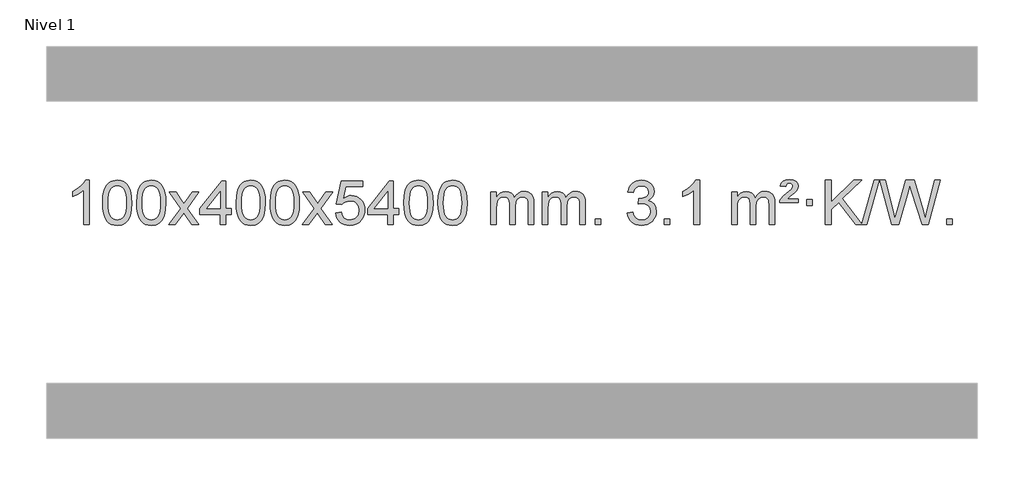
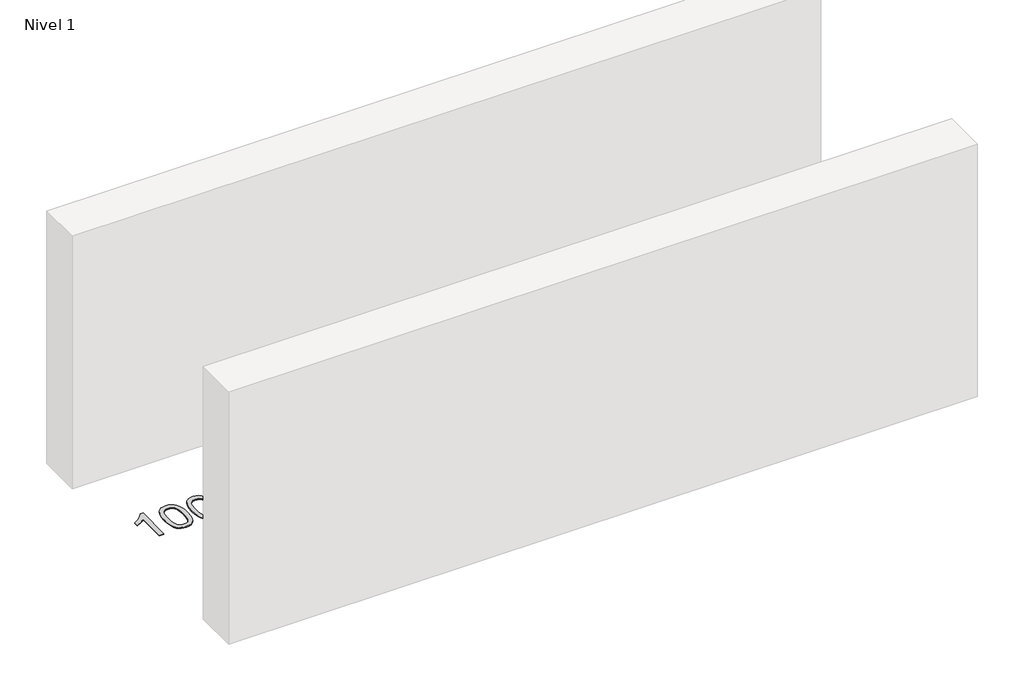
# One storey, part 6 of 15: 1 proxy.
"""IFC4 building model written with IfcOpenShell, lengths in millimetres."""

from ifc_helpers import new_model, si_unit, origin, origin_with_axes, place, context, project, spatial, polyline, outline, extrude, element, save

model = new_model("IFC4")

# Units and contexts
model_context = context("Model", 3, world=origin())
ifc_project = project(units=[si_unit("LENGTHUNIT", "METRE", prefix="MILLI")], contexts=[model_context])

# Site, building, storey
site = spatial("IfcSite", under=ifc_project)
building = spatial("IfcBuilding", under=site)
storey = spatial("IfcBuildingStorey", under=building, Name="Nivel 1", Elevation=0.0)

# Proxy
placement = place(None, origin())
element("IfcBuildingElementProxy", 1, Name="Texto de modelo 1", ObjectType="Texto de modelo 1", at=placement, inside=storey, context=model_context, shape_type="SweptSolid", body=[
    extrude(outline(polyline([(-25791.6185243, -3929.6168569), (-25841.8466794, -3929.6168569), (-25841.8466794, -3616.4757026), (-25862.8159531, -3633.4350626), (-25889.4260841, -3650.3698971), (-25942.3029895, -3675.7292293), (-25942.3029895, -3628.2479264), (-25902.8537769, -3606.7881434), (-25868.6775396, -3581.2571329), (-25841.7363148, -3554.1074417), (-25823.9921399, -3527.7916163), (-25791.6185243, -3527.7916163), (-25791.6185243, -3929.6168569)])), origin_with_axes(), (0.0, 0.0, 1.0), 10.0),
    extrude(outline(polyline([(-25672.326656, -3731.9415981), (-25668.6355733, -3667.6235626), (-25657.5623253, -3616.3285498), (-25639.2172764, -3577.2717446), (-25627.3592135, -3562.0383643), (-25613.7107915, -3549.6683323), (-25598.2260251, -3540.097269), (-25580.8589293, -3533.2607953), (-25540.4777489, -3527.7916163), (-25509.5266104, -3531.0289778), (-25481.8128334, -3540.7410625), (-25458.6362678, -3556.5477256), (-25441.296763, -3578.0688223), (-25428.200164, -3605.1204117), (-25417.7523154, -3637.5185527), (-25410.9097102, -3678.6600225), (-25408.6288419, -3731.9415981), (-25412.2831364, -3795.8917516), (-25423.2460198, -3847.0641372), (-25441.480704, -3886.1577305), (-25453.3111759, -3901.437096), (-25466.9504008, -3913.8715075), (-25482.4535613, -3923.5069501), (-25499.8758394, -3930.3894091), (-25540.4777489, -3935.8953763), (-25568.142475, -3933.5041433), (-25592.6679413, -3926.3304444), (-25614.054148, -3914.3742795), (-25632.3010949, -3897.6356488), (-25649.8122779, -3867.3773547), (-25662.3202657, -3829.6755815), (-25669.8250584, -3784.5303293), (-25672.326656, -3731.9415981)]), holes=[polyline([(-25622.0985009, -3731.8434963), (-25620.626973, -3775.5080234), (-25616.212389, -3810.8522861), (-25608.8547491, -3837.8762843), (-25598.5540532, -3856.5800181), (-25586.0951163, -3869.3056694), (-25572.2627533, -3878.3954204), (-25557.0569642, -3883.849271), (-25540.4777489, -3885.6672212), (-25523.8985337, -3883.8431396), (-25508.6927446, -3878.3708949), (-25494.8603815, -3869.2504871), (-25482.4014446, -3856.4819162), (-25472.1007488, -3837.7475256), (-25464.7431089, -3810.7296588), (-25460.3285249, -3775.4283156), (-25458.8569969, -3731.8434963), (-25460.279474, -3689.3347317), (-25464.5469051, -3654.6128027), (-25471.6592904, -3627.6777093), (-25481.6166297, -3608.5294515), (-25493.8671002, -3595.1814664), (-25507.8588787, -3585.6471914), (-25523.5919654, -3579.9266264), (-25541.0663601, -3578.0197713), (-25557.5597363, -3579.6997658), (-25572.508008, -3584.7397491), (-25585.9111753, -3593.1397213), (-25597.7692383, -3604.8996825), (-25608.4132907, -3625.7463289), (-25616.0161853, -3653.8525133), (-25620.577922, -3689.2182358), (-25622.0985009, -3731.8434963)])]), origin_with_axes(), (0.0, 0.0, 1.0), 10.0),
    extrude(outline(polyline([(-25364.6792062, -3731.9415981), (-25360.9881235, -3667.6235626), (-25349.9148754, -3616.3285498), (-25331.5698266, -3577.2717446), (-25319.7117636, -3562.0383643), (-25306.0633416, -3549.6683323), (-25290.5785753, -3540.097269), (-25273.2114794, -3533.2607953), (-25232.8302991, -3527.7916163), (-25201.8791606, -3531.0289778), (-25174.1653836, -3540.7410625), (-25150.9888179, -3556.5477256), (-25133.6493132, -3578.0688223), (-25120.5527142, -3605.1204117), (-25110.1048655, -3637.5185527), (-25103.2622604, -3678.6600225), (-25100.981392, -3731.9415981), (-25104.6356865, -3795.8917516), (-25115.59857, -3847.0641372), (-25133.8332542, -3886.1577305), (-25145.663726, -3901.437096), (-25159.302951, -3913.8715075), (-25174.8061114, -3923.5069501), (-25192.2283896, -3930.3894091), (-25232.8302991, -3935.8953763), (-25260.4950251, -3933.5041433), (-25285.0204915, -3926.3304444), (-25306.4066981, -3914.3742795), (-25324.6536451, -3897.6356488), (-25342.1648281, -3867.3773547), (-25354.6728159, -3829.6755815), (-25362.1776086, -3784.5303293), (-25364.6792062, -3731.9415981)]), holes=[polyline([(-25314.4510511, -3731.8434963), (-25312.9795231, -3775.5080234), (-25308.5649392, -3810.8522861), (-25301.2072993, -3837.8762843), (-25290.9066034, -3856.5800181), (-25278.4476665, -3869.3056694), (-25264.6153035, -3878.3954204), (-25249.4095144, -3883.849271), (-25232.8302991, -3885.6672212), (-25216.2510839, -3883.8431396), (-25201.0452947, -3878.3708949), (-25187.2129317, -3869.2504871), (-25174.7539948, -3856.4819162), (-25164.4532989, -3837.7475256), (-25157.095659, -3810.7296588), (-25152.6810751, -3775.4283156), (-25151.2095471, -3731.8434963), (-25152.6320242, -3689.3347317), (-25156.8994553, -3654.6128027), (-25164.0118405, -3627.6777093), (-25173.9691799, -3608.5294515), (-25186.2196503, -3595.1814664), (-25200.2114289, -3585.6471914), (-25215.9445155, -3579.9266264), (-25233.4189103, -3578.0197713), (-25249.9122864, -3579.6997658), (-25264.8605582, -3584.7397491), (-25278.2637255, -3593.1397213), (-25290.1217885, -3604.8996825), (-25300.7658409, -3625.7463289), (-25308.3687355, -3653.8525133), (-25312.9304722, -3689.2182358), (-25314.4510511, -3731.8434963)])]), origin_with_axes(), (0.0, 0.0, 1.0), 10.0),
    extrude(outline(polyline([(-25075.8673145, -3929.6168569), (-24968.5438738, -3781.2868364), (-25069.5887951, -3634.5264458), (-25009.158046, -3634.5264458), (-24960.4014189, -3705.1597889), (-24937.6417862, -3738.5144231), (-24917.9233112, -3711.2421045), (-24862.3976554, -3634.5264458), (-24801.9669064, -3634.5264458), (-24908.1131247, -3781.2868364), (-24805.890981, -3929.6168569), (-24866.32173, -3929.6168569), (-24927.8315996, -3840.4422612), (-24939.1133142, -3824.1573516), (-25015.4365654, -3929.6168569), (-25075.8673145, -3929.6168569)])), origin_with_axes(), (0.0, 0.0, 1.0), 10.0),
    extrude(outline(polyline([(-24611.2568801, -3929.6168569), (-24611.2568801, -3835.4390661), (-24793.3339422, -3835.4390661), (-24793.3339422, -3785.210911), (-24598.6998413, -3534.0701357), (-24561.028725, -3534.0701357), (-24561.028725, -3785.210911), (-24510.8005699, -3785.210911), (-24510.8005699, -3835.4390661), (-24561.028725, -3835.4390661), (-24561.028725, -3929.6168569), (-24611.2568801, -3929.6168569)]), holes=[polyline([(-24611.2568801, -3785.210911), (-24611.2568801, -3630.01376), (-24731.529767, -3785.210911), (-24611.2568801, -3785.210911)])]), origin_with_axes(), (0.0, 0.0, 1.0), 10.0),
    extrude(outline(polyline([(-24466.8509342, -3731.9415981), (-24463.1598515, -3667.6235626), (-24452.0866035, -3616.3285498), (-24433.7415547, -3577.2717446), (-24421.8834917, -3562.0383643), (-24408.2350697, -3549.6683323), (-24392.7503033, -3540.097269), (-24375.3832075, -3533.2607953), (-24335.0020271, -3527.7916163), (-24304.0508886, -3531.0289778), (-24276.3371117, -3540.7410625), (-24253.160546, -3556.5477256), (-24235.8210412, -3578.0688223), (-24222.7244422, -3605.1204117), (-24212.2765936, -3637.5185527), (-24205.4339884, -3678.6600225), (-24203.1531201, -3731.9415981), (-24206.8074146, -3795.8917516), (-24217.770298, -3847.0641372), (-24236.0049822, -3886.1577305), (-24247.8354541, -3901.437096), (-24261.474679, -3913.8715075), (-24276.9778395, -3923.5069501), (-24294.4001176, -3930.3894091), (-24335.0020271, -3935.8953763), (-24362.6667532, -3933.5041433), (-24387.1922195, -3926.3304444), (-24408.5784262, -3914.3742795), (-24426.8253731, -3897.6356488), (-24444.3365561, -3867.3773547), (-24456.844544, -3829.6755815), (-24464.3493367, -3784.5303293), (-24466.8509342, -3731.9415981)]), holes=[polyline([(-24416.6227791, -3731.8434963), (-24415.1512512, -3775.5080234), (-24410.7366672, -3810.8522861), (-24403.3790273, -3837.8762843), (-24393.0783315, -3856.5800181), (-24380.6193946, -3869.3056694), (-24366.7870315, -3878.3954204), (-24351.5812424, -3883.849271), (-24335.0020271, -3885.6672212), (-24318.4228119, -3883.8431396), (-24303.2170228, -3878.3708949), (-24289.3846597, -3869.2504871), (-24276.9257228, -3856.4819162), (-24266.625027, -3837.7475256), (-24259.2673871, -3810.7296588), (-24254.8528031, -3775.4283156), (-24253.3812752, -3731.8434963), (-24254.8037522, -3689.3347317), (-24259.0711833, -3654.6128027), (-24266.1835686, -3627.6777093), (-24276.1409079, -3608.5294515), (-24288.3913784, -3595.1814664), (-24302.3831569, -3585.6471914), (-24318.1162436, -3579.9266264), (-24335.5906383, -3578.0197713), (-24352.0840145, -3579.6997658), (-24367.0322862, -3584.7397491), (-24380.4354536, -3593.1397213), (-24392.2935165, -3604.8996825), (-24402.9375689, -3625.7463289), (-24410.5404635, -3653.8525133), (-24415.1022002, -3689.2182358), (-24416.6227791, -3731.8434963)])]), origin_with_axes(), (0.0, 0.0, 1.0), 10.0),
    extrude(outline(polyline([(-24159.2034844, -3731.9415981), (-24155.5124017, -3667.6235626), (-24144.4391536, -3616.3285498), (-24126.0941048, -3577.2717446), (-24114.2360418, -3562.0383643), (-24100.5876198, -3549.6683323), (-24085.1028535, -3540.097269), (-24067.7357577, -3533.2607953), (-24027.3545773, -3527.7916163), (-23996.4034388, -3531.0289778), (-23968.6896618, -3540.7410625), (-23945.5130961, -3556.5477256), (-23928.1735914, -3578.0688223), (-23915.0769924, -3605.1204117), (-23904.6291437, -3637.5185527), (-23897.7865386, -3678.6600225), (-23895.5056702, -3731.9415981), (-23899.1599647, -3795.8917516), (-23910.1228482, -3847.0641372), (-23928.3575324, -3886.1577305), (-23940.1880042, -3901.437096), (-23953.8272292, -3913.8715075), (-23969.3303896, -3923.5069501), (-23986.7526678, -3930.3894091), (-24027.3545773, -3935.8953763), (-24055.0193034, -3933.5041433), (-24079.5447697, -3926.3304444), (-24100.9309764, -3914.3742795), (-24119.1779233, -3897.6356488), (-24136.6891063, -3867.3773547), (-24149.1970941, -3829.6755815), (-24156.7018868, -3784.5303293), (-24159.2034844, -3731.9415981)]), holes=[polyline([(-24108.9753293, -3731.8434963), (-24107.5038013, -3775.5080234), (-24103.0892174, -3810.8522861), (-24095.7315775, -3837.8762843), (-24085.4308816, -3856.5800181), (-24072.9719447, -3869.3056694), (-24059.1395817, -3878.3954204), (-24043.9337926, -3883.849271), (-24027.3545773, -3885.6672212), (-24010.7753621, -3883.8431396), (-23995.5695729, -3878.3708949), (-23981.7372099, -3869.2504871), (-23969.278273, -3856.4819162), (-23958.9775771, -3837.7475256), (-23951.6199372, -3810.7296588), (-23947.2053533, -3775.4283156), (-23945.7338253, -3731.8434963), (-23947.1563024, -3689.3347317), (-23951.4237335, -3654.6128027), (-23958.5361188, -3627.6777093), (-23968.4934581, -3608.5294515), (-23980.7439285, -3595.1814664), (-23994.7357071, -3585.6471914), (-24010.4687937, -3579.9266264), (-24027.9431885, -3578.0197713), (-24044.4365646, -3579.6997658), (-24059.3848364, -3584.7397491), (-24072.7880037, -3593.1397213), (-24084.6460667, -3604.8996825), (-24095.2901191, -3625.7463289), (-24102.8930137, -3653.8525133), (-24107.4547504, -3689.2182358), (-24108.9753293, -3731.8434963)])]), origin_with_axes(), (0.0, 0.0, 1.0), 10.0),
    extrude(outline(polyline([(-23870.3915927, -3929.6168569), (-23763.068152, -3781.2868364), (-23864.1130733, -3634.5264458), (-23803.6823242, -3634.5264458), (-23754.9256972, -3705.1597889), (-23732.1660644, -3738.5144231), (-23712.4475894, -3711.2421045), (-23656.9219336, -3634.5264458), (-23596.4911846, -3634.5264458), (-23702.6374029, -3781.2868364), (-23600.4152592, -3929.6168569), (-23660.8460083, -3929.6168569), (-23722.3558778, -3840.4422612), (-23733.6375924, -3824.1573516), (-23809.9608436, -3929.6168569), (-23870.3915927, -3929.6168569)])), origin_with_axes(), (0.0, 0.0, 1.0), 10.0),
    extrude(outline(polyline([(-23569.0226623, -3822.8820273), (-23518.7945072, -3816.603508), (-23509.5729318, -3846.7575688), (-23493.4842259, -3868.3522419), (-23470.6019658, -3881.3384764), (-23440.9997279, -3885.6672212), (-23421.8698642, -3884.1619707), (-23404.9963433, -3879.6462192), (-23390.3791654, -3872.1199667), (-23378.0183304, -3861.5832132), (-23368.1897497, -3848.5571249), (-23361.169335, -3833.5628679), (-23355.5530032, -3797.6698479), (-23360.8137157, -3763.8737553), (-23367.3896064, -3749.9555532), (-23376.5958533, -3738.0239138), (-23388.4631133, -3728.4528505), (-23403.0220433, -3721.6163768), (-23440.214913, -3716.1471978), (-23464.5809638, -3718.3299643), (-23484.3117015, -3724.8782638), (-23500.0693136, -3734.9091796), (-23512.5159878, -3747.5397947), (-23562.7441429, -3741.2612753), (-23518.7945072, -3534.0701357), (-23324.1604063, -3534.0701357), (-23324.1604063, -3584.2982907), (-23478.1803349, -3584.2982907), (-23499.6646434, -3694.9571949), (-23481.9388626, -3682.2530033), (-23463.7838862, -3673.1785808), (-23445.199714, -3667.7339272), (-23426.1863463, -3665.9190427), (-23401.7252593, -3668.1692543), (-23379.2568664, -3674.9198889), (-23358.7811677, -3686.1709466), (-23340.2981631, -3701.9224273), (-23324.9973378, -3721.2117066), (-23314.0681769, -3743.0761598), (-23307.5106803, -3767.5157871), (-23305.3248481, -3794.5305882), (-23307.2930168, -3820.552108), (-23313.1975228, -3844.7587433), (-23323.0383662, -3867.1504941), (-23336.8155469, -3887.7273604), (-23357.6867188, -3908.8008673), (-23382.0405068, -3923.8533723), (-23409.8769111, -3932.8848753), (-23441.1959317, -3935.8953763), (-23467.1162839, -3933.9609301), (-23490.5289072, -3928.1575916), (-23511.4338016, -3918.4853608), (-23529.830967, -3904.9442377), (-23545.1379237, -3888.2086726), (-23556.7721918, -3868.9531159), (-23564.7337713, -3847.1775674), (-23569.0226623, -3822.8820273)])), origin_with_axes(), (0.0, 0.0, 1.0), 10.0),
    extrude(outline(polyline([(-23098.1337084, -3929.6168569), (-23098.1337084, -3835.4390661), (-23280.2107706, -3835.4390661), (-23280.2107706, -3785.210911), (-23085.5766697, -3534.0701357), (-23047.9055534, -3534.0701357), (-23047.9055534, -3785.210911), (-22997.6773983, -3785.210911), (-22997.6773983, -3835.4390661), (-23047.9055534, -3835.4390661), (-23047.9055534, -3929.6168569), (-23098.1337084, -3929.6168569)]), holes=[polyline([(-23098.1337084, -3785.210911), (-23098.1337084, -3630.01376), (-23218.4065954, -3785.210911), (-23098.1337084, -3785.210911)])]), origin_with_axes(), (0.0, 0.0, 1.0), 10.0),
    extrude(outline(polyline([(-22953.7277626, -3731.9415981), (-22950.0366799, -3667.6235626), (-22938.9634319, -3616.3285498), (-22920.618383, -3577.2717446), (-22908.76032, -3562.0383643), (-22895.111898, -3549.6683323), (-22879.6271317, -3540.097269), (-22862.2600359, -3533.2607953), (-22821.8788555, -3527.7916163), (-22790.927717, -3531.0289778), (-22763.21394, -3540.7410625), (-22740.0373743, -3556.5477256), (-22722.6978696, -3578.0688223), (-22709.6012706, -3605.1204117), (-22699.1534219, -3637.5185527), (-22692.3108168, -3678.6600225), (-22690.0299484, -3731.9415981), (-22693.6842429, -3795.8917516), (-22704.6471264, -3847.0641372), (-22722.8818106, -3886.1577305), (-22734.7122824, -3901.437096), (-22748.3515074, -3913.8715075), (-22763.8546678, -3923.5069501), (-22781.276946, -3930.3894091), (-22821.8788555, -3935.8953763), (-22849.5435816, -3933.5041433), (-22874.0690479, -3926.3304444), (-22895.4552546, -3914.3742795), (-22913.7022015, -3897.6356488), (-22931.2133845, -3867.3773547), (-22943.7213723, -3829.6755815), (-22951.226165, -3784.5303293), (-22953.7277626, -3731.9415981)]), holes=[polyline([(-22903.4996075, -3731.8434963), (-22902.0280795, -3775.5080234), (-22897.6134956, -3810.8522861), (-22890.2558557, -3837.8762843), (-22879.9551598, -3856.5800181), (-22867.4962229, -3869.3056694), (-22853.6638599, -3878.3954204), (-22838.4580708, -3883.849271), (-22821.8788555, -3885.6672212), (-22805.2996403, -3883.8431396), (-22790.0938511, -3878.3708949), (-22776.2614881, -3869.2504871), (-22763.8025512, -3856.4819162), (-22753.5018553, -3837.7475256), (-22746.1442154, -3810.7296588), (-22741.7296315, -3775.4283156), (-22740.2581035, -3731.8434963), (-22741.6805806, -3689.3347317), (-22745.9480117, -3654.6128027), (-22753.060397, -3627.6777093), (-22763.0177363, -3608.5294515), (-22775.2682067, -3595.1814664), (-22789.2599853, -3585.6471914), (-22804.9930719, -3579.9266264), (-22822.4674667, -3578.0197713), (-22838.9608428, -3579.6997658), (-22853.9091146, -3584.7397491), (-22867.3122819, -3593.1397213), (-22879.1703449, -3604.8996825), (-22889.8143973, -3625.7463289), (-22897.4172919, -3653.8525133), (-22901.9790286, -3689.2182358), (-22903.4996075, -3731.8434963)])]), origin_with_axes(), (0.0, 0.0, 1.0), 10.0),
    extrude(outline(polyline([(-22646.0803128, -3731.9415981), (-22642.3892301, -3667.6235626), (-22631.315982, -3616.3285498), (-22612.9709332, -3577.2717446), (-22601.1128702, -3562.0383643), (-22587.4644482, -3549.6683323), (-22571.9796819, -3540.097269), (-22554.612586, -3533.2607953), (-22514.2314057, -3527.7916163), (-22483.2802672, -3531.0289778), (-22455.5664902, -3540.7410625), (-22432.3899245, -3556.5477256), (-22415.0504198, -3578.0688223), (-22401.9538208, -3605.1204117), (-22391.5059721, -3637.5185527), (-22384.663367, -3678.6600225), (-22382.3824986, -3731.9415981), (-22386.0367931, -3795.8917516), (-22396.9996766, -3847.0641372), (-22415.2343608, -3886.1577305), (-22427.0648326, -3901.437096), (-22440.7040576, -3913.8715075), (-22456.207218, -3923.5069501), (-22473.6294962, -3930.3894091), (-22514.2314057, -3935.8953763), (-22541.8961317, -3933.5041433), (-22566.4215981, -3926.3304444), (-22587.8078047, -3914.3742795), (-22606.0547517, -3897.6356488), (-22623.5659347, -3867.3773547), (-22636.0739225, -3829.6755815), (-22643.5787152, -3784.5303293), (-22646.0803128, -3731.9415981)]), holes=[polyline([(-22595.8521577, -3731.8434963), (-22594.3806297, -3775.5080234), (-22589.9660458, -3810.8522861), (-22582.6084059, -3837.8762843), (-22572.30771, -3856.5800181), (-22559.8487731, -3869.3056694), (-22546.0164101, -3878.3954204), (-22530.8106209, -3883.849271), (-22514.2314057, -3885.6672212), (-22497.6521904, -3883.8431396), (-22482.4464013, -3878.3708949), (-22468.6140383, -3869.2504871), (-22456.1551014, -3856.4819162), (-22445.8544055, -3837.7475256), (-22438.4967656, -3810.7296588), (-22434.0821817, -3775.4283156), (-22432.6106537, -3731.8434963), (-22434.0331307, -3689.3347317), (-22438.3005619, -3654.6128027), (-22445.4129471, -3627.6777093), (-22455.3702865, -3608.5294515), (-22467.6207569, -3595.1814664), (-22481.6125354, -3585.6471914), (-22497.3456221, -3579.9266264), (-22514.8200169, -3578.0197713), (-22531.313393, -3579.6997658), (-22546.2616647, -3584.7397491), (-22559.6648321, -3593.1397213), (-22571.5228951, -3604.8996825), (-22582.1669475, -3625.7463289), (-22589.769842, -3653.8525133), (-22594.3315788, -3689.2182358), (-22595.8521577, -3731.8434963)])]), origin_with_axes(), (0.0, 0.0, 1.0), 10.0),
    extrude(outline(polyline([(-22168.9128395, -3929.6168569), (-22168.9128395, -3634.5264458), (-22118.6846845, -3634.5264458), (-22118.6846845, -3683.0868692), (-22103.5769972, -3660.7809575), (-22084.1528279, -3643.3065628), (-22061.074364, -3632.0125855), (-22035.0037933, -3628.2479264), (-22007.0692871, -3632.0861619), (-21984.6775364, -3643.6008684), (-21967.9511683, -3662.0317563), (-21957.0128103, -3686.6185363), (-21938.7045497, -3661.0813945), (-21917.8211151, -3642.8405789), (-21894.3625065, -3631.8960895), (-21868.328724, -3628.2479264), (-21848.2209073, -3629.7654397), (-21830.5717686, -3634.3179793), (-21815.3813079, -3641.9055455), (-21802.6495251, -3652.5281381), (-21792.5848869, -3666.3083845), (-21785.3958596, -3683.368912), (-21781.0824432, -3703.7097207), (-21779.6446377, -3727.3308105), (-21779.6446377, -3929.6168569), (-21829.8727928, -3929.6168569), (-21829.8727928, -3748.9132208), (-21831.0377524, -3723.860457), (-21834.5326314, -3706.9746734), (-21841.0809309, -3695.410916), (-21851.4061522, -3686.3242307), (-21864.6866923, -3680.4381188), (-21880.1009479, -3678.4760815), (-21907.3119528, -3683.5038021), (-21929.4952371, -3698.5869639), (-21938.1006101, -3710.1568526), (-21944.2473051, -3724.7556365), (-21949.1646611, -3763.0398895), (-21949.1646611, -3929.6168569), (-21999.3928162, -3929.6168569), (-21999.3928162, -3743.3214145), (-22002.2990839, -3714.9209245), (-22011.0178872, -3694.6628893), (-22026.3585664, -3682.5227834), (-22049.1304619, -3678.4760815), (-22068.4810549, -3681.1738828), (-22086.3110689, -3689.2672867), (-22101.0263487, -3702.5600894), (-22111.032739, -3720.8560873), (-22116.7716981, -3746.239945), (-22118.6846845, -3780.7963271), (-22118.6846845, -3929.6168569), (-22168.9128395, -3929.6168569)])), origin_with_axes(), (0.0, 0.0, 1.0), 10.0),
    extrude(outline(polyline([(-21704.3024051, -3929.6168569), (-21704.3024051, -3634.5264458), (-21654.07425, -3634.5264458), (-21654.07425, -3683.0868692), (-21638.9665628, -3660.7809575), (-21619.5423934, -3643.3065628), (-21596.4639296, -3632.0125855), (-21570.3933589, -3628.2479264), (-21542.4588527, -3632.0861619), (-21520.0671019, -3643.6008684), (-21503.3407339, -3662.0317563), (-21492.4023759, -3686.6185363), (-21474.0941153, -3661.0813945), (-21453.2106807, -3642.8405789), (-21429.7520721, -3631.8960895), (-21403.7182896, -3628.2479264), (-21383.6104729, -3629.7654397), (-21365.9613341, -3634.3179793), (-21350.7708734, -3641.9055455), (-21338.0390907, -3652.5281381), (-21327.9744525, -3666.3083845), (-21320.7854251, -3683.368912), (-21316.4720087, -3703.7097207), (-21315.0342033, -3727.3308105), (-21315.0342033, -3929.6168569), (-21365.2623584, -3929.6168569), (-21365.2623584, -3748.9132208), (-21366.427318, -3723.860457), (-21369.922197, -3706.9746734), (-21376.4704965, -3695.410916), (-21386.7957178, -3686.3242307), (-21400.0762578, -3680.4381188), (-21415.4905134, -3678.4760815), (-21442.7015183, -3683.5038021), (-21464.8848026, -3698.5869639), (-21473.4901756, -3710.1568526), (-21479.6368707, -3724.7556365), (-21484.5542267, -3763.0398895), (-21484.5542267, -3929.6168569), (-21534.7823817, -3929.6168569), (-21534.7823817, -3743.3214145), (-21537.6886495, -3714.9209245), (-21546.4074528, -3694.6628893), (-21561.748132, -3682.5227834), (-21584.5200275, -3678.4760815), (-21603.8706204, -3681.1738828), (-21621.7006345, -3689.2672867), (-21636.4159143, -3702.5600894), (-21646.4223045, -3720.8560873), (-21652.1612637, -3746.239945), (-21654.07425, -3780.7963271), (-21654.07425, -3929.6168569), (-21704.3024051, -3929.6168569)])), origin_with_axes(), (0.0, 0.0, 1.0), 10.0),
    extrude(outline(polyline([(-21227.1349319, -3929.6168569), (-21227.1349319, -3879.3887018), (-21176.9067768, -3879.3887018), (-21176.9067768, -3929.6168569), (-21227.1349319, -3929.6168569)])), origin_with_axes(), (0.0, 0.0, 1.0), 10.0),
    extrude(outline(polyline([(-20938.3230402, -3822.8820273), (-20888.0948851, -3816.603508), (-20876.8499588, -3848.1677831), (-20860.3811082, -3869.4804134), (-20837.8789928, -3881.6205192), (-20808.5342723, -3885.6672212), (-20774.1005176, -3880.0999403), (-20759.8266962, -3873.1408392), (-20747.514912, -3863.3980977), (-20730.5187639, -3838.4802239), (-20724.8533811, -3808.2648494), (-20730.4697129, -3779.5823165), (-20747.3187083, -3756.3199117), (-20772.8251933, -3740.9056561), (-20804.413994, -3735.7675709), (-20839.6325636, -3741.2612753), (-20834.0407573, -3691.0331203), (-20825.9964044, -3691.6217315), (-20795.9036571, -3688.0164879), (-20768.9992206, -3677.2007572), (-20757.9259725, -3669.0215142), (-20750.0165096, -3658.9047594), (-20745.2708319, -3646.8504926), (-20743.6889393, -3632.8587141), (-20748.2752015, -3611.1659391), (-20762.0339881, -3593.568917), (-20783.0277873, -3581.9070578), (-20809.3190872, -3578.0197713), (-20835.6594381, -3581.943846), (-20857.1927975, -3593.7160698), (-20872.9136215, -3613.3364429), (-20881.8163658, -3640.8049652), (-20932.0445208, -3634.5264458), (-20926.0909639, -3610.5466711), (-20917.2556646, -3589.4241132), (-20905.5386231, -3571.1587721), (-20890.9398392, -3555.7506479), (-20873.9191656, -3543.5185716), (-20854.9364546, -3534.7813742), (-20833.9917064, -3529.5390557), (-20811.0849208, -3527.7916163), (-20779.5083829, -3531.2374443), (-20750.5070189, -3541.5749284), (-20726.055129, -3557.8843635), (-20708.1270131, -3579.2460447), (-20697.1273414, -3603.8573501), (-20693.4607842, -3629.9156581), (-20696.9434004, -3654.1958698), (-20707.3912491, -3676.2197386), (-20724.6571774, -3694.9817203), (-20748.5940326, -3709.476271), (-20717.1523847, -3722.1804625), (-20693.8531917, -3743.8119238), (-20679.4322175, -3773.1934325), (-20674.6252261, -3809.1477662), (-20677.0287218, -3834.6297257), (-20684.2392089, -3858.100597), (-20696.2566874, -3879.5603801), (-20713.0811573, -3899.0090749), (-20733.5783158, -3915.1468317), (-20756.6138601, -3926.6738009), (-20782.1877901, -3933.5899824), (-20810.3001059, -3935.8953763), (-20835.708489, -3933.9272076), (-20858.8605293, -3928.0227016), (-20879.7562266, -3918.1818582), (-20898.395581, -3904.4046775), (-20914.0244344, -3887.5004998), (-20925.8886288, -3868.2786655), (-20933.988164, -3846.7391747), (-20938.3230402, -3822.8820273)])), origin_with_axes(), (0.0, 0.0, 1.0), 10.0),
    extrude(outline(polyline([(-20605.5615128, -3929.6168569), (-20605.5615128, -3879.3887018), (-20555.3333578, -3879.3887018), (-20555.3333578, -3929.6168569), (-20605.5615128, -3929.6168569)])), origin_with_axes(), (0.0, 0.0, 1.0), 10.0),
    extrude(outline(polyline([(-20285.3570242, -3929.6168569), (-20335.5851793, -3929.6168569), (-20335.5851793, -3616.4757026), (-20356.554453, -3633.4350626), (-20383.164584, -3650.3698971), (-20436.0414895, -3675.7292293), (-20436.0414895, -3628.2479264), (-20396.5922769, -3606.7881434), (-20362.4160395, -3581.2571329), (-20335.4748147, -3554.1074417), (-20317.7306398, -3527.7916163), (-20285.3570242, -3527.7916163), (-20285.3570242, -3929.6168569)])), origin_with_axes(), (0.0, 0.0, 1.0), 10.0),
    extrude(outline(polyline([(-19996.5451326, -3929.6168569), (-19996.5451326, -3634.5264458), (-19946.3169775, -3634.5264458), (-19946.3169775, -3683.0868692), (-19931.2092902, -3660.7809575), (-19911.7851209, -3643.3065628), (-19888.706657, -3632.0125855), (-19862.6360863, -3628.2479264), (-19834.7015802, -3632.0861619), (-19812.3098294, -3643.6008684), (-19795.5834613, -3662.0317563), (-19784.6451033, -3686.6185363), (-19766.3368427, -3661.0813945), (-19745.4534081, -3642.8405789), (-19721.9947996, -3631.8960895), (-19695.961017, -3628.2479264), (-19675.8532003, -3629.7654397), (-19658.2040616, -3634.3179793), (-19643.0136009, -3641.9055455), (-19630.2818182, -3652.5281381), (-19620.2171799, -3666.3083845), (-19613.0281526, -3683.368912), (-19608.7147362, -3703.7097207), (-19607.2769307, -3727.3308105), (-19607.2769307, -3929.6168569), (-19657.5050858, -3929.6168569), (-19657.5050858, -3748.9132208), (-19658.6700455, -3723.860457), (-19662.1649244, -3706.9746734), (-19668.7132239, -3695.410916), (-19679.0384453, -3686.3242307), (-19692.3189853, -3680.4381188), (-19707.7332409, -3678.4760815), (-19734.9442458, -3683.5038021), (-19757.1275301, -3698.5869639), (-19765.7329031, -3710.1568526), (-19771.8795981, -3724.7556365), (-19776.7969541, -3763.0398895), (-19776.7969541, -3929.6168569), (-19827.0251092, -3929.6168569), (-19827.0251092, -3743.3214145), (-19829.9313769, -3714.9209245), (-19838.6501802, -3694.6628893), (-19853.9908594, -3682.5227834), (-19876.7627549, -3678.4760815), (-19896.1133479, -3681.1738828), (-19913.9433619, -3689.2672867), (-19928.6586417, -3702.5600894), (-19938.665032, -3720.8560873), (-19944.4039911, -3746.239945), (-19946.3169775, -3780.7963271), (-19946.3169775, -3929.6168569), (-19996.5451326, -3929.6168569)])), origin_with_axes(), (0.0, 0.0, 1.0), 10.0),
    extrude(outline(polyline([(-19563.327295, -3728.7042366), (-19559.5013223, -3712.8853108), (-19551.1626637, -3697.0173341), (-19529.6538298, -3671.878731), (-19497.6971471, -3644.1404286), (-19453.5513077, -3606.7636179), (-19446.414397, -3595.2366487), (-19444.0354267, -3583.4153739), (-19445.9238876, -3571.324319), (-19451.5892704, -3561.538658), (-19460.9579985, -3555.0639348), (-19473.9564957, -3552.9056938), (-19486.3909071, -3554.5243746), (-19495.2446005, -3559.3804169), (-19501.6702727, -3568.8472469), (-19506.8206206, -3584.2982907), (-19557.0487757, -3578.0197713), (-19546.2085195, -3552.8075919), (-19529.5802534, -3535.247358), (-19505.8150765, -3524.9466622), (-19473.5640882, -3521.5130969), (-19437.7814328, -3525.645638), (-19413.0352373, -3538.0432612), (-19398.6142631, -3556.3760473), (-19393.8072717, -3578.3140769), (-19397.9030245, -3601.2208625), (-19410.1902832, -3622.8523238), (-19430.7180985, -3642.6689006), (-19467.187467, -3670.7260341), (-19492.7920538, -3697.3116396), (-19393.8072717, -3697.3116396), (-19393.8072717, -3728.7042366), (-19563.327295, -3728.7042366)])), origin_with_axes(), (0.0, 0.0, 1.0), 10.0),
    extrude(outline(polyline([(-19318.4650391, -3753.8183141), (-19318.4650391, -3703.590159), (-19268.236884, -3703.590159), (-19268.236884, -3753.8183141), (-19318.4650391, -3753.8183141)])), origin_with_axes(), (0.0, 0.0, 1.0), 10.0),
    extrude(outline(polyline([(-18877.595256, -3929.6168569), (-19031.0265735, -3726.938403), (-19098.7168606, -3791.4894304), (-19098.7168606, -3929.6168569), (-19148.9450157, -3929.6168569), (-19148.9450157, -3527.7916163), (-19098.7168606, -3527.7916163), (-19098.7168606, -3724.4858564), (-18892.7029433, -3527.7916163), (-18822.4620077, -3527.7916163), (-18995.4155964, -3692.9951576), (-18820.7619865, -3923.5723371), (-18709.4486588, -3527.7916163), (-18664.125597, -3527.7916163), (-18777.1389459, -3929.6168569), (-18816.1834883, -3929.6168569), (-18822.4620077, -3929.6168569), (-18877.595256, -3929.6168569)])), origin_with_axes(), (0.0, 0.0, 1.0), 10.0),
    extrude(outline(polyline([(-18549.6407201, -3929.6168569), (-18659.2205037, -3527.7916163), (-18607.4227188, -3527.7916163), (-18543.85271, -3791.8818379), (-18524.2323369, -3873.404488), (-18503.2385377, -3801.299617), (-18423.5798231, -3527.7916163), (-18348.9243035, -3527.7916163), (-18291.0442029, -3726.0554862), (-18266.2489564, -3799.6318852), (-18247.977484, -3873.404488), (-18228.9457221, -3794.2362826), (-18164.7871022, -3527.7916163), (-18112.9893173, -3527.7916163), (-18222.6672028, -3929.6168569), (-18276.3289231, -3929.6168569), (-18372.6649549, -3619.6149623), (-18386.1049105, -3576.3520396), (-18401.2125977, -3628.4441302), (-18489.0137673, -3929.6168569), (-18549.6407201, -3929.6168569)])), origin_with_axes(), (0.0, 0.0, 1.0), 10.0),
    extrude(outline(polyline([(-18056.4826428, -3929.6168569), (-18056.4826428, -3879.3887018), (-18006.2544877, -3879.3887018), (-18006.2544877, -3929.6168569), (-18056.4826428, -3929.6168569)])), origin_with_axes(), (0.0, 0.0, 1.0), 10.0),
])

save(model, "model.ifc")
